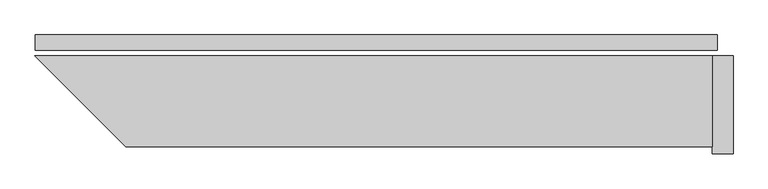
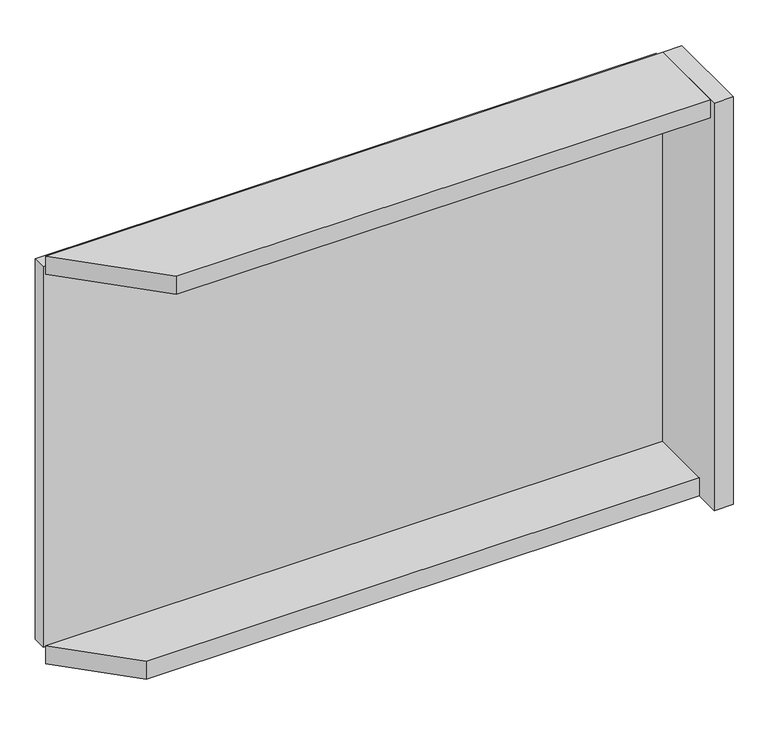
"""IFC4 building model written with IfcOpenShell, lengths in millimetres: plate geometry."""

from ifc_helpers import new_model, si_unit, frame, origin, origin_with_axes, place, context, project, spatial, polyline, outline, extrude, source, transform, mapped, element, save


def plate_9c6bd7f9(model_context):
    return source(origin(), model_context, "Body", "SweptSolid", [
        extrude(outline(polyline([(977.0, 0.0), (977.0, -44.0), (-977.0, -44.0), (-977.0, 0.0), (977.0, 0.0)])), origin_with_axes(), (0.0, 0.0, 1.0), 1264.465707),
        extrude(outline(polyline([(962.0, -260.0), (-777.5735931, -260.0), (-977.5735931, -60.0), (962.0, -60.0), (962.0, -260.0)])), frame((0.0, 0.0, -45.0), z_axis=(0.0, 0.0, 1.0), x_axis=(1.0, 0.0, 0.0)), (0.0, 0.0, 1.0), 60.0),
        extrude(outline(polyline([(962.0, -320.0), (-717.5735931, -320.0), (-977.5735931, -60.0), (962.0, -60.0), (962.0, -320.0)])), frame((0.0, 0.0, 1249.465707), z_axis=(0.0, 0.0, 1.0), x_axis=(1.0, 0.0, 0.0)), (0.0, 0.0, 1.0), 60.0),
        extrude(outline(polyline([(1022.0, -60.0), (1022.0, -340.0), (962.0, -340.0), (962.0, -60.0), (1022.0, -60.0)])), frame((0.0, 0.0, -45.0), z_axis=(0.0, 0.0, 1.0), x_axis=(1.0, 0.0, 0.0)), (0.0, 0.0, 1.0), 1354.465707),
    ])


if __name__ == "__main__":
    model = new_model("IFC4")
    model_context = context("Model", 3, world=origin())
    ifc_project = project(units=[si_unit("LENGTHUNIT", "METRE", prefix="MILLI")], contexts=[model_context])
    site = spatial("IfcSite", under=ifc_project)
    building = spatial("IfcBuilding", under=site)
    placement = place(None, origin())
    plate_shape = plate_9c6bd7f9(model_context)
    element("IfcPlate", 1, at=placement, inside=building, context=model_context, shape_type="MappedRepresentation", body=[
        mapped(plate_shape, transform((0.0, 0.0, 0.0), x_axis=(1.0, 0.0, 0.0), y_axis=(0.0, 1.0, 0.0), z_axis=(0.0, 0.0, 1.0))),
    ])
    save(model, "model.ifc")
